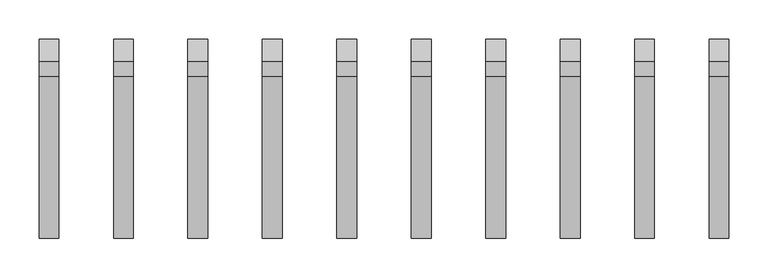
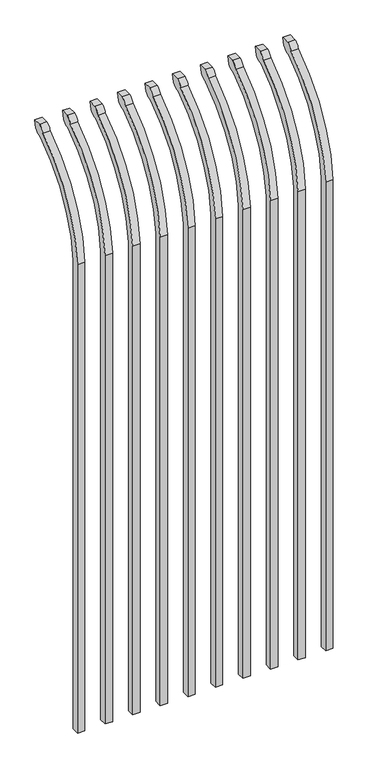
"""IFC4 building model written with IfcOpenShell, lengths in millimetres: railing geometry."""

from ifc_helpers import new_model, si_unit, point, frame, origin, place, context, project, spatial, polyline, circle_curve, ellipse_curve, trimmed, source, transform, mapped, element, save
from ifc_brep_helpers import plane_surface, cylinder_surface, revolved_surface, extruded_surface, advanced_brep


def railing_7b04022b(model_context):
    return source(origin(), model_context, "Body", "AdvancedBrep", [
        advanced_brep(
        [(26128.4350064, 13429.619541, 50.8), (26128.4350064, 13429.619541, 1759.1226889), (26128.4350064, 13626.7326851, 2091.3022378), (26128.4350064, 13653.2407099, 2105.9867549), (26128.4350064, 13659.1100864, 2133.6), (26128.4350064, 13630.8799449, 2133.6), (26128.4350064, 13611.4931591, 2112.6682561), (26128.4350064, 13404.219541, 1759.1226889), (26128.4350064, 13404.219541, 50.8), (26103.0350064, 13429.619541, 50.8), (26103.0350064, 13429.619541, 1759.1226889), (26103.0350064, 13404.219541, 1759.1226889), (26103.0350064, 13404.219541, 50.8), (26103.0350064, 13611.4931591, 2112.6682561), (26103.0350064, 13630.8799449, 2133.6), (26103.0350064, 13659.1100864, 2133.6), (26103.0350064, 13653.2407099, 2105.9867549), (26103.0350064, 13626.7326851, 2091.3022378)],
        [
            (0, 1),
            (1, 2, circle_curve(frame((26128.4350064, 13866.9874207, 1724.1640776), z_axis=(-1.0, 0.0, 0.0), x_axis=(0.0, 1.0, 0.0)), 438.7627681)),
            (2, 3, ellipse_curve(frame((26128.4350064, 13634.5579376, 2113.7180619), z_axis=(1.0, 0.0, 0.0), x_axis=(0.0, -0.7771459614569761, -0.6293203910498311)), 26.7460194, 19.05)),
            (3, 4),
            (4, 5),
            (5, 6, ellipse_curve(frame((26128.4350064, 13634.5579376, 2113.7180619), z_axis=(0.9999999999999999, 0.0, 0.0), x_axis=(0.0, -0.7771459614569769, -0.62932039104983)), 26.7460194, 19.05)),
            (6, 7, circle_curve(frame((26128.4350064, 13866.0333244, 1725.9065933), z_axis=(1.0, 0.0, 0.0), x_axis=(0.0, 1.0, 0.0)), 463.0067812)),
            (7, 8),
            (8, 0),
            (0, 9),
            (9, 10),
            (10, 1),
            (7, 11),
            (11, 12),
            (12, 8),
            (12, 9),
            (11, 13, circle_curve(frame((26103.0350064, 13866.0333244, 1725.9065933), z_axis=(-1.0, 0.0, 0.0), x_axis=(0.0, 1.0, 0.0)), 463.0067812)),
            (13, 14, ellipse_curve(frame((26103.0350064, 13634.5579376, 2113.7180619), z_axis=(-0.9999999999999999, 0.0, 0.0), x_axis=(0.0, -0.7771459614569769, -0.62932039104983)), 26.7460194, 19.05)),
            (14, 15),
            (15, 16),
            (16, 17, ellipse_curve(frame((26103.0350064, 13634.5579376, 2113.7180619), z_axis=(-1.0, 0.0, 0.0), x_axis=(0.0, -0.7771459614569761, -0.6293203910498311)), 26.7460194, 19.05)),
            (17, 10, circle_curve(frame((26103.0350064, 13866.9874207, 1724.1640776), z_axis=(1.0, 0.0, 0.0), x_axis=(0.0, 1.0, 0.0)), 438.7627681)),
            (17, 2),
            (16, 3),
            (15, 4),
            (14, 5),
            (13, 6),
        ],
        [
            plane_surface(frame((26128.4350064, 13429.619541, 50.8), z_axis=(1.0, 0.0, 0.0), x_axis=(0.0, 0.0, 1.0))),
            plane_surface(frame((26128.4350064, 13429.619541, 50.8), z_axis=(0.0, 1.0, 0.0), x_axis=(-1.0, 0.0, 0.0))),
            plane_surface(frame((26128.4350064, 13404.219541, 1759.1226889), z_axis=(0.0, -1.0, 0.0), x_axis=(-1.0, 0.0, 0.0))),
            plane_surface(frame((26128.4350064, 13404.219541, 50.8), z_axis=(0.0, 0.0, -1.0), x_axis=(-1.0, 0.0, 0.0))),
            plane_surface(frame((26103.0350064, 13429.619541, 50.8), z_axis=(-1.0, 0.0, 0.0), x_axis=(0.0, 0.0, -1.0))),
            revolved_surface(polyline([(26103.0350064, 14305.750188799999, 1724.1640776), (26128.4350064, 14305.750188799999, 1724.1640776)]), (26103.0350064, 13866.9874207, 1724.1640776), (-1.0, 0.0, 0.0)),
            extruded_surface(trimmed(ellipse_curve(frame((26077.6350064, 13634.5579376, 2113.7180619), z_axis=(1.0, 0.0, 0.0), x_axis=(0.0, -0.7771459614569761, -0.6293203910498311)), 26.7460194, 19.05), [point((26077.6350064, 13626.7326851, 2091.3022378))], [point((26077.6350064, 13653.2407099, 2105.9867549))], True, "CARTESIAN"), (25.400000000001455, 0.0, 0.0), 25.400000000001455),
            plane_surface(frame((26128.4350064, 13653.2407099, 2105.9867549), z_axis=(0.0, 0.9781476007338014, -0.20791169081777983), x_axis=(-1.0, 0.0, 0.0))),
            plane_surface(frame((26128.4350064, 13659.1100864, 2133.6), z_axis=(0.0, 0.0, 1.0), x_axis=(-1.0, 0.0, 0.0))),
            extruded_surface(trimmed(ellipse_curve(frame((26077.6350064, 13634.5579376, 2113.7180619), z_axis=(0.9999999999999999, 0.0, 0.0), x_axis=(0.0, -0.7771459614569769, -0.62932039104983)), 26.7460194, 19.05), [point((26077.6350064, 13630.8799449, 2133.6))], [point((26077.6350064, 13611.4931591, 2112.6682561))], True, "CARTESIAN"), (25.400000000001455, 0.0, 0.0), 25.400000000001455),
            cylinder_surface(frame((26103.0350064, 13866.0333244, 1725.9065933), z_axis=(1.0, 0.0, 0.0), x_axis=(0.0, 1.0, 0.0)), 463.0067812),
        ],
        [
            (0, [[1, 2, 3, 4, 5, 6, 7, 8, 9]]),
            (1, [[-1, 10, 11, 12]]),
            (2, [[-8, 13, 14, 15]]),
            (3, [[-9, -15, 16, -10]]),
            (4, [[-16, -14, 17, 18, 19, 20, 21, 22, -11]]),
            (5, [[-2, -12, -22, 23]]),
            (6, [[-3, -23, -21, 24]]),
            (7, [[-4, -24, -20, 25]]),
            (8, [[-5, -25, -19, 26]]),
            (9, [[-6, -26, -18, 27]]),
            (10, [[-7, -27, -17, -13]]),
        ],
    ),
        advanced_brep(
        [(26033.1850064, 13429.619541, 50.8), (26033.1850064, 13429.619541, 1759.1226889), (26033.1850064, 13626.7326851, 2091.3022378), (26033.1850064, 13653.2407099, 2105.9867549), (26033.1850064, 13659.1100864, 2133.6), (26033.1850064, 13630.8799449, 2133.6), (26033.1850064, 13611.4931591, 2112.6682561), (26033.1850064, 13404.219541, 1759.1226889), (26033.1850064, 13404.219541, 50.8), (26007.7850064, 13429.619541, 50.8), (26007.7850064, 13429.619541, 1759.1226889), (26007.7850064, 13404.219541, 1759.1226889), (26007.7850064, 13404.219541, 50.8), (26007.7850064, 13611.4931591, 2112.6682561), (26007.7850064, 13630.8799449, 2133.6), (26007.7850064, 13659.1100864, 2133.6), (26007.7850064, 13653.2407099, 2105.9867549), (26007.7850064, 13626.7326851, 2091.3022378)],
        [
            (0, 1),
            (1, 2, circle_curve(frame((26033.1850064, 13866.9874207, 1724.1640776), z_axis=(-1.0, 0.0, 0.0), x_axis=(0.0, 1.0, 0.0)), 438.7627681)),
            (2, 3, ellipse_curve(frame((26033.1850064, 13634.5579376, 2113.7180619), z_axis=(1.0, 0.0, 0.0), x_axis=(0.0, -0.7771459614569761, -0.6293203910498311)), 26.7460194, 19.05)),
            (3, 4),
            (4, 5),
            (5, 6, ellipse_curve(frame((26033.1850064, 13634.5579376, 2113.7180619), z_axis=(0.9999999999999999, 0.0, 0.0), x_axis=(0.0, -0.7771459614569769, -0.62932039104983)), 26.7460194, 19.05)),
            (6, 7, circle_curve(frame((26033.1850064, 13866.0333244, 1725.9065933), z_axis=(1.0, 0.0, 0.0), x_axis=(0.0, 1.0, 0.0)), 463.0067812)),
            (7, 8),
            (8, 0),
            (0, 9),
            (9, 10),
            (10, 1),
            (7, 11),
            (11, 12),
            (12, 8),
            (12, 9),
            (11, 13, circle_curve(frame((26007.7850064, 13866.0333244, 1725.9065933), z_axis=(-1.0, 0.0, 0.0), x_axis=(0.0, 1.0, 0.0)), 463.0067812)),
            (13, 14, ellipse_curve(frame((26007.7850064, 13634.5579376, 2113.7180619), z_axis=(-0.9999999999999999, 0.0, 0.0), x_axis=(0.0, -0.7771459614569769, -0.62932039104983)), 26.7460194, 19.05)),
            (14, 15),
            (15, 16),
            (16, 17, ellipse_curve(frame((26007.7850064, 13634.5579376, 2113.7180619), z_axis=(-1.0, 0.0, 0.0), x_axis=(0.0, -0.7771459614569761, -0.6293203910498311)), 26.7460194, 19.05)),
            (17, 10, circle_curve(frame((26007.7850064, 13866.9874207, 1724.1640776), z_axis=(1.0, 0.0, 0.0), x_axis=(0.0, 1.0, 0.0)), 438.7627681)),
            (17, 2),
            (16, 3),
            (15, 4),
            (14, 5),
            (13, 6),
        ],
        [
            plane_surface(frame((26033.1850064, 13429.619541, 50.8), z_axis=(1.0, 0.0, 0.0), x_axis=(0.0, 0.0, 1.0))),
            plane_surface(frame((26033.1850064, 13429.619541, 50.8), z_axis=(0.0, 1.0, 0.0), x_axis=(-1.0, 0.0, 0.0))),
            plane_surface(frame((26033.1850064, 13404.219541, 1759.1226889), z_axis=(0.0, -1.0, 0.0), x_axis=(-1.0, 0.0, 0.0))),
            plane_surface(frame((26033.1850064, 13404.219541, 50.8), z_axis=(0.0, 0.0, -1.0), x_axis=(-1.0, 0.0, 0.0))),
            plane_surface(frame((26007.7850064, 13429.619541, 50.8), z_axis=(-1.0, 0.0, 0.0), x_axis=(0.0, 0.0, -1.0))),
            revolved_surface(polyline([(26007.7850064, 14305.750188799999, 1724.1640776), (26033.1850064, 14305.750188799999, 1724.1640776)]), (26007.7850064, 13866.9874207, 1724.1640776), (-1.0, 0.0, 0.0)),
            extruded_surface(trimmed(ellipse_curve(frame((25982.3850064, 13634.5579376, 2113.7180619), z_axis=(1.0, 0.0, 0.0), x_axis=(0.0, -0.7771459614569761, -0.6293203910498311)), 26.7460194, 19.05), [point((25982.3850064, 13626.7326851, 2091.3022378))], [point((25982.3850064, 13653.2407099, 2105.9867549))], True, "CARTESIAN"), (25.400000000001455, 0.0, 0.0), 25.400000000001455),
            plane_surface(frame((26033.1850064, 13653.2407099, 2105.9867549), z_axis=(0.0, 0.9781476007338014, -0.20791169081777983), x_axis=(-1.0, 0.0, 0.0))),
            plane_surface(frame((26033.1850064, 13659.1100864, 2133.6), z_axis=(0.0, 0.0, 1.0), x_axis=(-1.0, 0.0, 0.0))),
            extruded_surface(trimmed(ellipse_curve(frame((25982.3850064, 13634.5579376, 2113.7180619), z_axis=(0.9999999999999999, 0.0, 0.0), x_axis=(0.0, -0.7771459614569769, -0.62932039104983)), 26.7460194, 19.05), [point((25982.3850064, 13630.8799449, 2133.6))], [point((25982.3850064, 13611.4931591, 2112.6682561))], True, "CARTESIAN"), (25.400000000001455, 0.0, 0.0), 25.400000000001455),
            cylinder_surface(frame((26007.7850064, 13866.0333244, 1725.9065933), z_axis=(1.0, 0.0, 0.0), x_axis=(0.0, 1.0, 0.0)), 463.0067812),
        ],
        [
            (0, [[1, 2, 3, 4, 5, 6, 7, 8, 9]]),
            (1, [[-1, 10, 11, 12]]),
            (2, [[-8, 13, 14, 15]]),
            (3, [[-9, -15, 16, -10]]),
            (4, [[-16, -14, 17, 18, 19, 20, 21, 22, -11]]),
            (5, [[-2, -12, -22, 23]]),
            (6, [[-3, -23, -21, 24]]),
            (7, [[-4, -24, -20, 25]]),
            (8, [[-5, -25, -19, 26]]),
            (9, [[-6, -26, -18, 27]]),
            (10, [[-7, -27, -17, -13]]),
        ],
    ),
        advanced_brep(
        [(25937.9350064, 13429.619541, 50.8), (25937.9350064, 13429.619541, 1759.1226889), (25937.9350064, 13626.7326851, 2091.3022378), (25937.9350064, 13653.2407099, 2105.9867549), (25937.9350064, 13659.1100864, 2133.6), (25937.9350064, 13630.8799449, 2133.6), (25937.9350064, 13611.4931591, 2112.6682561), (25937.9350064, 13404.219541, 1759.1226889), (25937.9350064, 13404.219541, 50.8), (25912.5350064, 13429.619541, 50.8), (25912.5350064, 13429.619541, 1759.1226889), (25912.5350064, 13404.219541, 1759.1226889), (25912.5350064, 13404.219541, 50.8), (25912.5350064, 13611.4931591, 2112.6682561), (25912.5350064, 13630.8799449, 2133.6), (25912.5350064, 13659.1100864, 2133.6), (25912.5350064, 13653.2407099, 2105.9867549), (25912.5350064, 13626.7326851, 2091.3022378)],
        [
            (0, 1),
            (1, 2, circle_curve(frame((25937.9350064, 13866.9874207, 1724.1640776), z_axis=(-1.0, 0.0, 0.0), x_axis=(0.0, 1.0, 0.0)), 438.7627681)),
            (2, 3, ellipse_curve(frame((25937.9350064, 13634.5579376, 2113.7180619), z_axis=(1.0, 0.0, 0.0), x_axis=(0.0, -0.7771459614569761, -0.6293203910498311)), 26.7460194, 19.05)),
            (3, 4),
            (4, 5),
            (5, 6, ellipse_curve(frame((25937.9350064, 13634.5579376, 2113.7180619), z_axis=(0.9999999999999999, 0.0, 0.0), x_axis=(0.0, -0.7771459614569769, -0.62932039104983)), 26.7460194, 19.05)),
            (6, 7, circle_curve(frame((25937.9350064, 13866.0333244, 1725.9065933), z_axis=(1.0, 0.0, 0.0), x_axis=(0.0, 1.0, 0.0)), 463.0067812)),
            (7, 8),
            (8, 0),
            (0, 9),
            (9, 10),
            (10, 1),
            (7, 11),
            (11, 12),
            (12, 8),
            (12, 9),
            (11, 13, circle_curve(frame((25912.5350064, 13866.0333244, 1725.9065933), z_axis=(-1.0, 0.0, 0.0), x_axis=(0.0, 1.0, 0.0)), 463.0067812)),
            (13, 14, ellipse_curve(frame((25912.5350064, 13634.5579376, 2113.7180619), z_axis=(-0.9999999999999999, 0.0, 0.0), x_axis=(0.0, -0.7771459614569769, -0.62932039104983)), 26.7460194, 19.05)),
            (14, 15),
            (15, 16),
            (16, 17, ellipse_curve(frame((25912.5350064, 13634.5579376, 2113.7180619), z_axis=(-1.0, 0.0, 0.0), x_axis=(0.0, -0.7771459614569761, -0.6293203910498311)), 26.7460194, 19.05)),
            (17, 10, circle_curve(frame((25912.5350064, 13866.9874207, 1724.1640776), z_axis=(1.0, 0.0, 0.0), x_axis=(0.0, 1.0, 0.0)), 438.7627681)),
            (17, 2),
            (16, 3),
            (15, 4),
            (14, 5),
            (13, 6),
        ],
        [
            plane_surface(frame((25937.9350064, 13429.619541, 50.8), z_axis=(1.0, 0.0, 0.0), x_axis=(0.0, 0.0, 1.0))),
            plane_surface(frame((25937.9350064, 13429.619541, 50.8), z_axis=(0.0, 1.0, 0.0), x_axis=(-1.0, 0.0, 0.0))),
            plane_surface(frame((25937.9350064, 13404.219541, 1759.1226889), z_axis=(0.0, -1.0, 0.0), x_axis=(-1.0, 0.0, 0.0))),
            plane_surface(frame((25937.9350064, 13404.219541, 50.8), z_axis=(0.0, 0.0, -1.0), x_axis=(-1.0, 0.0, 0.0))),
            plane_surface(frame((25912.5350064, 13429.619541, 50.8), z_axis=(-1.0, 0.0, 0.0), x_axis=(0.0, 0.0, -1.0))),
            revolved_surface(polyline([(25912.5350064, 14305.750188799999, 1724.1640776), (25937.9350064, 14305.750188799999, 1724.1640776)]), (25912.5350064, 13866.9874207, 1724.1640776), (-1.0, 0.0, 0.0)),
            extruded_surface(trimmed(ellipse_curve(frame((25887.1350064, 13634.5579376, 2113.7180619), z_axis=(1.0, 0.0, 0.0), x_axis=(0.0, -0.7771459614569761, -0.6293203910498311)), 26.7460194, 19.05), [point((25887.1350064, 13626.7326851, 2091.3022378))], [point((25887.1350064, 13653.2407099, 2105.9867549))], True, "CARTESIAN"), (25.400000000001455, 0.0, 0.0), 25.400000000001455),
            plane_surface(frame((25937.9350064, 13653.2407099, 2105.9867549), z_axis=(0.0, 0.9781476007338014, -0.20791169081777983), x_axis=(-1.0, 0.0, 0.0))),
            plane_surface(frame((25937.9350064, 13659.1100864, 2133.6), z_axis=(0.0, 0.0, 1.0), x_axis=(-1.0, 0.0, 0.0))),
            extruded_surface(trimmed(ellipse_curve(frame((25887.1350064, 13634.5579376, 2113.7180619), z_axis=(0.9999999999999999, 0.0, 0.0), x_axis=(0.0, -0.7771459614569769, -0.62932039104983)), 26.7460194, 19.05), [point((25887.1350064, 13630.8799449, 2133.6))], [point((25887.1350064, 13611.4931591, 2112.6682561))], True, "CARTESIAN"), (25.400000000001455, 0.0, 0.0), 25.400000000001455),
            cylinder_surface(frame((25912.5350064, 13866.0333244, 1725.9065933), z_axis=(1.0, 0.0, 0.0), x_axis=(0.0, 1.0, 0.0)), 463.0067812),
        ],
        [
            (0, [[1, 2, 3, 4, 5, 6, 7, 8, 9]]),
            (1, [[-1, 10, 11, 12]]),
            (2, [[-8, 13, 14, 15]]),
            (3, [[-9, -15, 16, -10]]),
            (4, [[-16, -14, 17, 18, 19, 20, 21, 22, -11]]),
            (5, [[-2, -12, -22, 23]]),
            (6, [[-3, -23, -21, 24]]),
            (7, [[-4, -24, -20, 25]]),
            (8, [[-5, -25, -19, 26]]),
            (9, [[-6, -26, -18, 27]]),
            (10, [[-7, -27, -17, -13]]),
        ],
    ),
        advanced_brep(
        [(25842.6850064, 13429.619541, 50.8), (25842.6850064, 13429.619541, 1759.1226889), (25842.6850064, 13626.7326851, 2091.3022378), (25842.6850064, 13653.2407099, 2105.9867549), (25842.6850064, 13659.1100864, 2133.6), (25842.6850064, 13630.8799449, 2133.6), (25842.6850064, 13611.4931591, 2112.6682561), (25842.6850064, 13404.219541, 1759.1226889), (25842.6850064, 13404.219541, 50.8), (25817.2850064, 13429.619541, 50.8), (25817.2850064, 13429.619541, 1759.1226889), (25817.2850064, 13404.219541, 1759.1226889), (25817.2850064, 13404.219541, 50.8), (25817.2850064, 13611.4931591, 2112.6682561), (25817.2850064, 13630.8799449, 2133.6), (25817.2850064, 13659.1100864, 2133.6), (25817.2850064, 13653.2407099, 2105.9867549), (25817.2850064, 13626.7326851, 2091.3022378)],
        [
            (0, 1),
            (1, 2, circle_curve(frame((25842.6850064, 13866.9874207, 1724.1640776), z_axis=(-1.0, 0.0, 0.0), x_axis=(0.0, 1.0, 0.0)), 438.7627681)),
            (2, 3, ellipse_curve(frame((25842.6850064, 13634.5579376, 2113.7180619), z_axis=(1.0, 0.0, 0.0), x_axis=(0.0, -0.7771459614569761, -0.6293203910498311)), 26.7460194, 19.05)),
            (3, 4),
            (4, 5),
            (5, 6, ellipse_curve(frame((25842.6850064, 13634.5579376, 2113.7180619), z_axis=(0.9999999999999999, 0.0, 0.0), x_axis=(0.0, -0.7771459614569769, -0.62932039104983)), 26.7460194, 19.05)),
            (6, 7, circle_curve(frame((25842.6850064, 13866.0333244, 1725.9065933), z_axis=(1.0, 0.0, 0.0), x_axis=(0.0, 1.0, 0.0)), 463.0067812)),
            (7, 8),
            (8, 0),
            (0, 9),
            (9, 10),
            (10, 1),
            (7, 11),
            (11, 12),
            (12, 8),
            (12, 9),
            (11, 13, circle_curve(frame((25817.2850064, 13866.0333244, 1725.9065933), z_axis=(-1.0, 0.0, 0.0), x_axis=(0.0, 1.0, 0.0)), 463.0067812)),
            (13, 14, ellipse_curve(frame((25817.2850064, 13634.5579376, 2113.7180619), z_axis=(-0.9999999999999999, 0.0, 0.0), x_axis=(0.0, -0.7771459614569769, -0.62932039104983)), 26.7460194, 19.05)),
            (14, 15),
            (15, 16),
            (16, 17, ellipse_curve(frame((25817.2850064, 13634.5579376, 2113.7180619), z_axis=(-1.0, 0.0, 0.0), x_axis=(0.0, -0.7771459614569761, -0.6293203910498311)), 26.7460194, 19.05)),
            (17, 10, circle_curve(frame((25817.2850064, 13866.9874207, 1724.1640776), z_axis=(1.0, 0.0, 0.0), x_axis=(0.0, 1.0, 0.0)), 438.7627681)),
            (17, 2),
            (16, 3),
            (15, 4),
            (14, 5),
            (13, 6),
        ],
        [
            plane_surface(frame((25842.6850064, 13429.619541, 50.8), z_axis=(1.0, 0.0, 0.0), x_axis=(0.0, 0.0, 1.0))),
            plane_surface(frame((25842.6850064, 13429.619541, 50.8), z_axis=(0.0, 1.0, 0.0), x_axis=(-1.0, 0.0, 0.0))),
            plane_surface(frame((25842.6850064, 13404.219541, 1759.1226889), z_axis=(0.0, -1.0, 0.0), x_axis=(-1.0, 0.0, 0.0))),
            plane_surface(frame((25842.6850064, 13404.219541, 50.8), z_axis=(0.0, 0.0, -1.0), x_axis=(-1.0, 0.0, 0.0))),
            plane_surface(frame((25817.2850064, 13429.619541, 50.8), z_axis=(-1.0, 0.0, 0.0), x_axis=(0.0, 0.0, -1.0))),
            revolved_surface(polyline([(25817.2850064, 14305.750188799999, 1724.1640776), (25842.6850064, 14305.750188799999, 1724.1640776)]), (25817.2850064, 13866.9874207, 1724.1640776), (-1.0, 0.0, 0.0)),
            extruded_surface(trimmed(ellipse_curve(frame((25791.8850064, 13634.5579376, 2113.7180619), z_axis=(1.0, 0.0, 0.0), x_axis=(0.0, -0.7771459614569761, -0.6293203910498311)), 26.7460194, 19.05), [point((25791.8850064, 13626.7326851, 2091.3022378))], [point((25791.8850064, 13653.2407099, 2105.9867549))], True, "CARTESIAN"), (25.400000000001455, 0.0, 0.0), 25.400000000001455),
            plane_surface(frame((25842.6850064, 13653.2407099, 2105.9867549), z_axis=(0.0, 0.9781476007338014, -0.20791169081777983), x_axis=(-1.0, 0.0, 0.0))),
            plane_surface(frame((25842.6850064, 13659.1100864, 2133.6), z_axis=(0.0, 0.0, 1.0), x_axis=(-1.0, 0.0, 0.0))),
            extruded_surface(trimmed(ellipse_curve(frame((25791.8850064, 13634.5579376, 2113.7180619), z_axis=(0.9999999999999999, 0.0, 0.0), x_axis=(0.0, -0.7771459614569769, -0.62932039104983)), 26.7460194, 19.05), [point((25791.8850064, 13630.8799449, 2133.6))], [point((25791.8850064, 13611.4931591, 2112.6682561))], True, "CARTESIAN"), (25.400000000001455, 0.0, 0.0), 25.400000000001455),
            cylinder_surface(frame((25817.2850064, 13866.0333244, 1725.9065933), z_axis=(1.0, 0.0, 0.0), x_axis=(0.0, 1.0, 0.0)), 463.0067812),
        ],
        [
            (0, [[1, 2, 3, 4, 5, 6, 7, 8, 9]]),
            (1, [[-1, 10, 11, 12]]),
            (2, [[-8, 13, 14, 15]]),
            (3, [[-9, -15, 16, -10]]),
            (4, [[-16, -14, 17, 18, 19, 20, 21, 22, -11]]),
            (5, [[-2, -12, -22, 23]]),
            (6, [[-3, -23, -21, 24]]),
            (7, [[-4, -24, -20, 25]]),
            (8, [[-5, -25, -19, 26]]),
            (9, [[-6, -26, -18, 27]]),
            (10, [[-7, -27, -17, -13]]),
        ],
    ),
        advanced_brep(
        [(25747.4350064, 13429.619541, 50.8), (25747.4350064, 13429.619541, 1759.1226889), (25747.4350064, 13626.7326851, 2091.3022378), (25747.4350064, 13653.2407099, 2105.9867549), (25747.4350064, 13659.1100864, 2133.6), (25747.4350064, 13630.8799449, 2133.6), (25747.4350064, 13611.4931591, 2112.6682561), (25747.4350064, 13404.219541, 1759.1226889), (25747.4350064, 13404.219541, 50.8), (25722.0350064, 13429.619541, 50.8), (25722.0350064, 13429.619541, 1759.1226889), (25722.0350064, 13404.219541, 1759.1226889), (25722.0350064, 13404.219541, 50.8), (25722.0350064, 13611.4931591, 2112.6682561), (25722.0350064, 13630.8799449, 2133.6), (25722.0350064, 13659.1100864, 2133.6), (25722.0350064, 13653.2407099, 2105.9867549), (25722.0350064, 13626.7326851, 2091.3022378)],
        [
            (0, 1),
            (1, 2, circle_curve(frame((25747.4350064, 13866.9874207, 1724.1640776), z_axis=(-1.0, 0.0, 0.0), x_axis=(0.0, 1.0, 0.0)), 438.7627681)),
            (2, 3, ellipse_curve(frame((25747.4350064, 13634.5579376, 2113.7180619), z_axis=(1.0, 0.0, 0.0), x_axis=(0.0, -0.7771459614569761, -0.6293203910498311)), 26.7460194, 19.05)),
            (3, 4),
            (4, 5),
            (5, 6, ellipse_curve(frame((25747.4350064, 13634.5579376, 2113.7180619), z_axis=(0.9999999999999999, 0.0, 0.0), x_axis=(0.0, -0.7771459614569769, -0.62932039104983)), 26.7460194, 19.05)),
            (6, 7, circle_curve(frame((25747.4350064, 13866.0333244, 1725.9065933), z_axis=(1.0, 0.0, 0.0), x_axis=(0.0, 1.0, 0.0)), 463.0067812)),
            (7, 8),
            (8, 0),
            (0, 9),
            (9, 10),
            (10, 1),
            (7, 11),
            (11, 12),
            (12, 8),
            (12, 9),
            (11, 13, circle_curve(frame((25722.0350064, 13866.0333244, 1725.9065933), z_axis=(-1.0, 0.0, 0.0), x_axis=(0.0, 1.0, 0.0)), 463.0067812)),
            (13, 14, ellipse_curve(frame((25722.0350064, 13634.5579376, 2113.7180619), z_axis=(-0.9999999999999999, 0.0, 0.0), x_axis=(0.0, -0.7771459614569769, -0.62932039104983)), 26.7460194, 19.05)),
            (14, 15),
            (15, 16),
            (16, 17, ellipse_curve(frame((25722.0350064, 13634.5579376, 2113.7180619), z_axis=(-1.0, 0.0, 0.0), x_axis=(0.0, -0.7771459614569761, -0.6293203910498311)), 26.7460194, 19.05)),
            (17, 10, circle_curve(frame((25722.0350064, 13866.9874207, 1724.1640776), z_axis=(1.0, 0.0, 0.0), x_axis=(0.0, 1.0, 0.0)), 438.7627681)),
            (17, 2),
            (16, 3),
            (15, 4),
            (14, 5),
            (13, 6),
        ],
        [
            plane_surface(frame((25747.4350064, 13429.619541, 50.8), z_axis=(1.0, 0.0, 0.0), x_axis=(0.0, 0.0, 1.0))),
            plane_surface(frame((25747.4350064, 13429.619541, 50.8), z_axis=(0.0, 1.0, 0.0), x_axis=(-1.0, 0.0, 0.0))),
            plane_surface(frame((25747.4350064, 13404.219541, 1759.1226889), z_axis=(0.0, -1.0, 0.0), x_axis=(-1.0, 0.0, 0.0))),
            plane_surface(frame((25747.4350064, 13404.219541, 50.8), z_axis=(0.0, 0.0, -1.0), x_axis=(-1.0, 0.0, 0.0))),
            plane_surface(frame((25722.0350064, 13429.619541, 50.8), z_axis=(-1.0, 0.0, 0.0), x_axis=(0.0, 0.0, -1.0))),
            revolved_surface(polyline([(25722.0350064, 14305.750188799999, 1724.1640776), (25747.4350064, 14305.750188799999, 1724.1640776)]), (25722.0350064, 13866.9874207, 1724.1640776), (-1.0, 0.0, 0.0)),
            extruded_surface(trimmed(ellipse_curve(frame((25696.6350064, 13634.5579376, 2113.7180619), z_axis=(1.0, 0.0, 0.0), x_axis=(0.0, -0.7771459614569761, -0.6293203910498311)), 26.7460194, 19.05), [point((25696.6350064, 13626.7326851, 2091.3022378))], [point((25696.6350064, 13653.2407099, 2105.9867549))], True, "CARTESIAN"), (25.400000000001455, 0.0, 0.0), 25.400000000001455),
            plane_surface(frame((25747.4350064, 13653.2407099, 2105.9867549), z_axis=(0.0, 0.9781476007338014, -0.20791169081777983), x_axis=(-1.0, 0.0, 0.0))),
            plane_surface(frame((25747.4350064, 13659.1100864, 2133.6), z_axis=(0.0, 0.0, 1.0), x_axis=(-1.0, 0.0, 0.0))),
            extruded_surface(trimmed(ellipse_curve(frame((25696.6350064, 13634.5579376, 2113.7180619), z_axis=(0.9999999999999999, 0.0, 0.0), x_axis=(0.0, -0.7771459614569769, -0.62932039104983)), 26.7460194, 19.05), [point((25696.6350064, 13630.8799449, 2133.6))], [point((25696.6350064, 13611.4931591, 2112.6682561))], True, "CARTESIAN"), (25.400000000001455, 0.0, 0.0), 25.400000000001455),
            cylinder_surface(frame((25722.0350064, 13866.0333244, 1725.9065933), z_axis=(1.0, 0.0, 0.0), x_axis=(0.0, 1.0, 0.0)), 463.0067812),
        ],
        [
            (0, [[1, 2, 3, 4, 5, 6, 7, 8, 9]]),
            (1, [[-1, 10, 11, 12]]),
            (2, [[-8, 13, 14, 15]]),
            (3, [[-9, -15, 16, -10]]),
            (4, [[-16, -14, 17, 18, 19, 20, 21, 22, -11]]),
            (5, [[-2, -12, -22, 23]]),
            (6, [[-3, -23, -21, 24]]),
            (7, [[-4, -24, -20, 25]]),
            (8, [[-5, -25, -19, 26]]),
            (9, [[-6, -26, -18, 27]]),
            (10, [[-7, -27, -17, -13]]),
        ],
    ),
        advanced_brep(
        [(25652.1850064, 13429.619541, 50.8), (25652.1850064, 13429.619541, 1759.1226889), (25652.1850064, 13626.7326851, 2091.3022378), (25652.1850064, 13653.2407099, 2105.9867549), (25652.1850064, 13659.1100864, 2133.6), (25652.1850064, 13630.8799449, 2133.6), (25652.1850064, 13611.4931591, 2112.6682561), (25652.1850064, 13404.219541, 1759.1226889), (25652.1850064, 13404.219541, 50.8), (25626.7850064, 13429.619541, 50.8), (25626.7850064, 13429.619541, 1759.1226889), (25626.7850064, 13404.219541, 1759.1226889), (25626.7850064, 13404.219541, 50.8), (25626.7850064, 13611.4931591, 2112.6682561), (25626.7850064, 13630.8799449, 2133.6), (25626.7850064, 13659.1100864, 2133.6), (25626.7850064, 13653.2407099, 2105.9867549), (25626.7850064, 13626.7326851, 2091.3022378)],
        [
            (0, 1),
            (1, 2, circle_curve(frame((25652.1850064, 13866.9874207, 1724.1640776), z_axis=(-1.0, 0.0, 0.0), x_axis=(0.0, 1.0, 0.0)), 438.7627681)),
            (2, 3, ellipse_curve(frame((25652.1850064, 13634.5579376, 2113.7180619), z_axis=(1.0, 0.0, 0.0), x_axis=(0.0, -0.7771459614569761, -0.6293203910498311)), 26.7460194, 19.05)),
            (3, 4),
            (4, 5),
            (5, 6, ellipse_curve(frame((25652.1850064, 13634.5579376, 2113.7180619), z_axis=(0.9999999999999999, 0.0, 0.0), x_axis=(0.0, -0.7771459614569769, -0.62932039104983)), 26.7460194, 19.05)),
            (6, 7, circle_curve(frame((25652.1850064, 13866.0333244, 1725.9065933), z_axis=(1.0, 0.0, 0.0), x_axis=(0.0, 1.0, 0.0)), 463.0067812)),
            (7, 8),
            (8, 0),
            (0, 9),
            (9, 10),
            (10, 1),
            (7, 11),
            (11, 12),
            (12, 8),
            (12, 9),
            (11, 13, circle_curve(frame((25626.7850064, 13866.0333244, 1725.9065933), z_axis=(-1.0, 0.0, 0.0), x_axis=(0.0, 1.0, 0.0)), 463.0067812)),
            (13, 14, ellipse_curve(frame((25626.7850064, 13634.5579376, 2113.7180619), z_axis=(-0.9999999999999999, 0.0, 0.0), x_axis=(0.0, -0.7771459614569769, -0.62932039104983)), 26.7460194, 19.05)),
            (14, 15),
            (15, 16),
            (16, 17, ellipse_curve(frame((25626.7850064, 13634.5579376, 2113.7180619), z_axis=(-1.0, 0.0, 0.0), x_axis=(0.0, -0.7771459614569761, -0.6293203910498311)), 26.7460194, 19.05)),
            (17, 10, circle_curve(frame((25626.7850064, 13866.9874207, 1724.1640776), z_axis=(1.0, 0.0, 0.0), x_axis=(0.0, 1.0, 0.0)), 438.7627681)),
            (17, 2),
            (16, 3),
            (15, 4),
            (14, 5),
            (13, 6),
        ],
        [
            plane_surface(frame((25652.1850064, 13429.619541, 50.8), z_axis=(1.0, 0.0, 0.0), x_axis=(0.0, 0.0, 1.0))),
            plane_surface(frame((25652.1850064, 13429.619541, 50.8), z_axis=(0.0, 1.0, 0.0), x_axis=(-1.0, 0.0, 0.0))),
            plane_surface(frame((25652.1850064, 13404.219541, 1759.1226889), z_axis=(0.0, -1.0, 0.0), x_axis=(-1.0, 0.0, 0.0))),
            plane_surface(frame((25652.1850064, 13404.219541, 50.8), z_axis=(0.0, 0.0, -1.0), x_axis=(-1.0, 0.0, 0.0))),
            plane_surface(frame((25626.7850064, 13429.619541, 50.8), z_axis=(-1.0, 0.0, 0.0), x_axis=(0.0, 0.0, -1.0))),
            revolved_surface(polyline([(25626.7850064, 14305.750188799999, 1724.1640776), (25652.1850064, 14305.750188799999, 1724.1640776)]), (25626.7850064, 13866.9874207, 1724.1640776), (-1.0, 0.0, 0.0)),
            extruded_surface(trimmed(ellipse_curve(frame((25601.3850064, 13634.5579376, 2113.7180619), z_axis=(1.0, 0.0, 0.0), x_axis=(0.0, -0.7771459614569761, -0.6293203910498311)), 26.7460194, 19.05), [point((25601.3850064, 13626.7326851, 2091.3022378))], [point((25601.3850064, 13653.2407099, 2105.9867549))], True, "CARTESIAN"), (25.400000000001455, 0.0, 0.0), 25.400000000001455),
            plane_surface(frame((25652.1850064, 13653.2407099, 2105.9867549), z_axis=(0.0, 0.9781476007338014, -0.20791169081777983), x_axis=(-1.0, 0.0, 0.0))),
            plane_surface(frame((25652.1850064, 13659.1100864, 2133.6), z_axis=(0.0, 0.0, 1.0), x_axis=(-1.0, 0.0, 0.0))),
            extruded_surface(trimmed(ellipse_curve(frame((25601.3850064, 13634.5579376, 2113.7180619), z_axis=(0.9999999999999999, 0.0, 0.0), x_axis=(0.0, -0.7771459614569769, -0.62932039104983)), 26.7460194, 19.05), [point((25601.3850064, 13630.8799449, 2133.6))], [point((25601.3850064, 13611.4931591, 2112.6682561))], True, "CARTESIAN"), (25.400000000001455, 0.0, 0.0), 25.400000000001455),
            cylinder_surface(frame((25626.7850064, 13866.0333244, 1725.9065933), z_axis=(1.0, 0.0, 0.0), x_axis=(0.0, 1.0, 0.0)), 463.0067812),
        ],
        [
            (0, [[1, 2, 3, 4, 5, 6, 7, 8, 9]]),
            (1, [[-1, 10, 11, 12]]),
            (2, [[-8, 13, 14, 15]]),
            (3, [[-9, -15, 16, -10]]),
            (4, [[-16, -14, 17, 18, 19, 20, 21, 22, -11]]),
            (5, [[-2, -12, -22, 23]]),
            (6, [[-3, -23, -21, 24]]),
            (7, [[-4, -24, -20, 25]]),
            (8, [[-5, -25, -19, 26]]),
            (9, [[-6, -26, -18, 27]]),
            (10, [[-7, -27, -17, -13]]),
        ],
    ),
        advanced_brep(
        [(25556.9350064, 13429.619541, 50.8), (25556.9350064, 13429.619541, 1759.1226889), (25556.9350064, 13626.7326851, 2091.3022378), (25556.9350064, 13653.2407099, 2105.9867549), (25556.9350064, 13659.1100864, 2133.6), (25556.9350064, 13630.8799449, 2133.6), (25556.9350064, 13611.4931591, 2112.6682561), (25556.9350064, 13404.219541, 1759.1226889), (25556.9350064, 13404.219541, 50.8), (25531.5350064, 13429.619541, 50.8), (25531.5350064, 13429.619541, 1759.1226889), (25531.5350064, 13404.219541, 1759.1226889), (25531.5350064, 13404.219541, 50.8), (25531.5350064, 13611.4931591, 2112.6682561), (25531.5350064, 13630.8799449, 2133.6), (25531.5350064, 13659.1100864, 2133.6), (25531.5350064, 13653.2407099, 2105.9867549), (25531.5350064, 13626.7326851, 2091.3022378)],
        [
            (0, 1),
            (1, 2, circle_curve(frame((25556.9350064, 13866.9874207, 1724.1640776), z_axis=(-1.0, 0.0, 0.0), x_axis=(0.0, 1.0, 0.0)), 438.7627681)),
            (2, 3, ellipse_curve(frame((25556.9350064, 13634.5579376, 2113.7180619), z_axis=(1.0, 0.0, 0.0), x_axis=(0.0, -0.7771459614569761, -0.6293203910498311)), 26.7460194, 19.05)),
            (3, 4),
            (4, 5),
            (5, 6, ellipse_curve(frame((25556.9350064, 13634.5579376, 2113.7180619), z_axis=(0.9999999999999999, 0.0, 0.0), x_axis=(0.0, -0.7771459614569769, -0.62932039104983)), 26.7460194, 19.05)),
            (6, 7, circle_curve(frame((25556.9350064, 13866.0333244, 1725.9065933), z_axis=(1.0, 0.0, 0.0), x_axis=(0.0, 1.0, 0.0)), 463.0067812)),
            (7, 8),
            (8, 0),
            (0, 9),
            (9, 10),
            (10, 1),
            (7, 11),
            (11, 12),
            (12, 8),
            (12, 9),
            (11, 13, circle_curve(frame((25531.5350064, 13866.0333244, 1725.9065933), z_axis=(-1.0, 0.0, 0.0), x_axis=(0.0, 1.0, 0.0)), 463.0067812)),
            (13, 14, ellipse_curve(frame((25531.5350064, 13634.5579376, 2113.7180619), z_axis=(-0.9999999999999999, 0.0, 0.0), x_axis=(0.0, -0.7771459614569769, -0.62932039104983)), 26.7460194, 19.05)),
            (14, 15),
            (15, 16),
            (16, 17, ellipse_curve(frame((25531.5350064, 13634.5579376, 2113.7180619), z_axis=(-1.0, 0.0, 0.0), x_axis=(0.0, -0.7771459614569761, -0.6293203910498311)), 26.7460194, 19.05)),
            (17, 10, circle_curve(frame((25531.5350064, 13866.9874207, 1724.1640776), z_axis=(1.0, 0.0, 0.0), x_axis=(0.0, 1.0, 0.0)), 438.7627681)),
            (17, 2),
            (16, 3),
            (15, 4),
            (14, 5),
            (13, 6),
        ],
        [
            plane_surface(frame((25556.9350064, 13429.619541, 50.8), z_axis=(1.0, 0.0, 0.0), x_axis=(0.0, 0.0, 1.0))),
            plane_surface(frame((25556.9350064, 13429.619541, 50.8), z_axis=(0.0, 1.0, 0.0), x_axis=(-1.0, 0.0, 0.0))),
            plane_surface(frame((25556.9350064, 13404.219541, 1759.1226889), z_axis=(0.0, -1.0, 0.0), x_axis=(-1.0, 0.0, 0.0))),
            plane_surface(frame((25556.9350064, 13404.219541, 50.8), z_axis=(0.0, 0.0, -1.0), x_axis=(-1.0, 0.0, 0.0))),
            plane_surface(frame((25531.5350064, 13429.619541, 50.8), z_axis=(-1.0, 0.0, 0.0), x_axis=(0.0, 0.0, -1.0))),
            revolved_surface(polyline([(25531.5350064, 14305.750188799999, 1724.1640776), (25556.9350064, 14305.750188799999, 1724.1640776)]), (25531.5350064, 13866.9874207, 1724.1640776), (-1.0, 0.0, 0.0)),
            extruded_surface(trimmed(ellipse_curve(frame((25506.1350064, 13634.5579376, 2113.7180619), z_axis=(1.0, 0.0, 0.0), x_axis=(0.0, -0.7771459614569761, -0.6293203910498311)), 26.7460194, 19.05), [point((25506.1350064, 13626.7326851, 2091.3022378))], [point((25506.1350064, 13653.2407099, 2105.9867549))], True, "CARTESIAN"), (25.400000000001455, 0.0, 0.0), 25.400000000001455),
            plane_surface(frame((25556.9350064, 13653.2407099, 2105.9867549), z_axis=(0.0, 0.9781476007338014, -0.20791169081777983), x_axis=(-1.0, 0.0, 0.0))),
            plane_surface(frame((25556.9350064, 13659.1100864, 2133.6), z_axis=(0.0, 0.0, 1.0), x_axis=(-1.0, 0.0, 0.0))),
            extruded_surface(trimmed(ellipse_curve(frame((25506.1350064, 13634.5579376, 2113.7180619), z_axis=(0.9999999999999999, 0.0, 0.0), x_axis=(0.0, -0.7771459614569769, -0.62932039104983)), 26.7460194, 19.05), [point((25506.1350064, 13630.8799449, 2133.6))], [point((25506.1350064, 13611.4931591, 2112.6682561))], True, "CARTESIAN"), (25.400000000001455, 0.0, 0.0), 25.400000000001455),
            cylinder_surface(frame((25531.5350064, 13866.0333244, 1725.9065933), z_axis=(1.0, 0.0, 0.0), x_axis=(0.0, 1.0, 0.0)), 463.0067812),
        ],
        [
            (0, [[1, 2, 3, 4, 5, 6, 7, 8, 9]]),
            (1, [[-1, 10, 11, 12]]),
            (2, [[-8, 13, 14, 15]]),
            (3, [[-9, -15, 16, -10]]),
            (4, [[-16, -14, 17, 18, 19, 20, 21, 22, -11]]),
            (5, [[-2, -12, -22, 23]]),
            (6, [[-3, -23, -21, 24]]),
            (7, [[-4, -24, -20, 25]]),
            (8, [[-5, -25, -19, 26]]),
            (9, [[-6, -26, -18, 27]]),
            (10, [[-7, -27, -17, -13]]),
        ],
    ),
        advanced_brep(
        [(25461.6850064, 13429.619541, 50.8), (25461.6850064, 13429.619541, 1759.1226889), (25461.6850064, 13626.7326851, 2091.3022378), (25461.6850064, 13653.2407099, 2105.9867549), (25461.6850064, 13659.1100864, 2133.6), (25461.6850064, 13630.8799449, 2133.6), (25461.6850064, 13611.4931591, 2112.6682561), (25461.6850064, 13404.219541, 1759.1226889), (25461.6850064, 13404.219541, 50.8), (25436.2850064, 13429.619541, 50.8), (25436.2850064, 13429.619541, 1759.1226889), (25436.2850064, 13404.219541, 1759.1226889), (25436.2850064, 13404.219541, 50.8), (25436.2850064, 13611.4931591, 2112.6682561), (25436.2850064, 13630.8799449, 2133.6), (25436.2850064, 13659.1100864, 2133.6), (25436.2850064, 13653.2407099, 2105.9867549), (25436.2850064, 13626.7326851, 2091.3022378)],
        [
            (0, 1),
            (1, 2, circle_curve(frame((25461.6850064, 13866.9874207, 1724.1640776), z_axis=(-1.0, 0.0, 0.0), x_axis=(0.0, 1.0, 0.0)), 438.7627681)),
            (2, 3, ellipse_curve(frame((25461.6850064, 13634.5579376, 2113.7180619), z_axis=(1.0, 0.0, 0.0), x_axis=(0.0, -0.7771459614569761, -0.6293203910498311)), 26.7460194, 19.05)),
            (3, 4),
            (4, 5),
            (5, 6, ellipse_curve(frame((25461.6850064, 13634.5579376, 2113.7180619), z_axis=(0.9999999999999999, 0.0, 0.0), x_axis=(0.0, -0.7771459614569769, -0.62932039104983)), 26.7460194, 19.05)),
            (6, 7, circle_curve(frame((25461.6850064, 13866.0333244, 1725.9065933), z_axis=(1.0, 0.0, 0.0), x_axis=(0.0, 1.0, 0.0)), 463.0067812)),
            (7, 8),
            (8, 0),
            (0, 9),
            (9, 10),
            (10, 1),
            (7, 11),
            (11, 12),
            (12, 8),
            (12, 9),
            (11, 13, circle_curve(frame((25436.2850064, 13866.0333244, 1725.9065933), z_axis=(-1.0, 0.0, 0.0), x_axis=(0.0, 1.0, 0.0)), 463.0067812)),
            (13, 14, ellipse_curve(frame((25436.2850064, 13634.5579376, 2113.7180619), z_axis=(-0.9999999999999999, 0.0, 0.0), x_axis=(0.0, -0.7771459614569769, -0.62932039104983)), 26.7460194, 19.05)),
            (14, 15),
            (15, 16),
            (16, 17, ellipse_curve(frame((25436.2850064, 13634.5579376, 2113.7180619), z_axis=(-1.0, 0.0, 0.0), x_axis=(0.0, -0.7771459614569761, -0.6293203910498311)), 26.7460194, 19.05)),
            (17, 10, circle_curve(frame((25436.2850064, 13866.9874207, 1724.1640776), z_axis=(1.0, 0.0, 0.0), x_axis=(0.0, 1.0, 0.0)), 438.7627681)),
            (17, 2),
            (16, 3),
            (15, 4),
            (14, 5),
            (13, 6),
        ],
        [
            plane_surface(frame((25461.6850064, 13429.619541, 50.8), z_axis=(1.0, 0.0, 0.0), x_axis=(0.0, 0.0, 1.0))),
            plane_surface(frame((25461.6850064, 13429.619541, 50.8), z_axis=(0.0, 1.0, 0.0), x_axis=(-1.0, 0.0, 0.0))),
            plane_surface(frame((25461.6850064, 13404.219541, 1759.1226889), z_axis=(0.0, -1.0, 0.0), x_axis=(-1.0, 0.0, 0.0))),
            plane_surface(frame((25461.6850064, 13404.219541, 50.8), z_axis=(0.0, 0.0, -1.0), x_axis=(-1.0, 0.0, 0.0))),
            plane_surface(frame((25436.2850064, 13429.619541, 50.8), z_axis=(-1.0, 0.0, 0.0), x_axis=(0.0, 0.0, -1.0))),
            revolved_surface(polyline([(25436.2850064, 14305.750188799999, 1724.1640776), (25461.6850064, 14305.750188799999, 1724.1640776)]), (25436.2850064, 13866.9874207, 1724.1640776), (-1.0, 0.0, 0.0)),
            extruded_surface(trimmed(ellipse_curve(frame((25410.8850064, 13634.5579376, 2113.7180619), z_axis=(1.0, 0.0, 0.0), x_axis=(0.0, -0.7771459614569761, -0.6293203910498311)), 26.7460194, 19.05), [point((25410.8850064, 13626.7326851, 2091.3022378))], [point((25410.8850064, 13653.2407099, 2105.9867549))], True, "CARTESIAN"), (25.400000000001455, 0.0, 0.0), 25.400000000001455),
            plane_surface(frame((25461.6850064, 13653.2407099, 2105.9867549), z_axis=(0.0, 0.9781476007338014, -0.20791169081777983), x_axis=(-1.0, 0.0, 0.0))),
            plane_surface(frame((25461.6850064, 13659.1100864, 2133.6), z_axis=(0.0, 0.0, 1.0), x_axis=(-1.0, 0.0, 0.0))),
            extruded_surface(trimmed(ellipse_curve(frame((25410.8850064, 13634.5579376, 2113.7180619), z_axis=(0.9999999999999999, 0.0, 0.0), x_axis=(0.0, -0.7771459614569769, -0.62932039104983)), 26.7460194, 19.05), [point((25410.8850064, 13630.8799449, 2133.6))], [point((25410.8850064, 13611.4931591, 2112.6682561))], True, "CARTESIAN"), (25.400000000001455, 0.0, 0.0), 25.400000000001455),
            cylinder_surface(frame((25436.2850064, 13866.0333244, 1725.9065933), z_axis=(1.0, 0.0, 0.0), x_axis=(0.0, 1.0, 0.0)), 463.0067812),
        ],
        [
            (0, [[1, 2, 3, 4, 5, 6, 7, 8, 9]]),
            (1, [[-1, 10, 11, 12]]),
            (2, [[-8, 13, 14, 15]]),
            (3, [[-9, -15, 16, -10]]),
            (4, [[-16, -14, 17, 18, 19, 20, 21, 22, -11]]),
            (5, [[-2, -12, -22, 23]]),
            (6, [[-3, -23, -21, 24]]),
            (7, [[-4, -24, -20, 25]]),
            (8, [[-5, -25, -19, 26]]),
            (9, [[-6, -26, -18, 27]]),
            (10, [[-7, -27, -17, -13]]),
        ],
    ),
        advanced_brep(
        [(25366.4350064, 13429.619541, 50.8), (25366.4350064, 13429.619541, 1759.1226889), (25366.4350064, 13626.7326851, 2091.3022378), (25366.4350064, 13653.2407099, 2105.9867549), (25366.4350064, 13659.1100864, 2133.6), (25366.4350064, 13630.8799449, 2133.6), (25366.4350064, 13611.4931591, 2112.6682561), (25366.4350064, 13404.219541, 1759.1226889), (25366.4350064, 13404.219541, 50.8), (25341.0350064, 13429.619541, 50.8), (25341.0350064, 13429.619541, 1759.1226889), (25341.0350064, 13404.219541, 1759.1226889), (25341.0350064, 13404.219541, 50.8), (25341.0350064, 13611.4931591, 2112.6682561), (25341.0350064, 13630.8799449, 2133.6), (25341.0350064, 13659.1100864, 2133.6), (25341.0350064, 13653.2407099, 2105.9867549), (25341.0350064, 13626.7326851, 2091.3022378)],
        [
            (0, 1),
            (1, 2, circle_curve(frame((25366.4350064, 13866.9874207, 1724.1640776), z_axis=(-1.0, 0.0, 0.0), x_axis=(0.0, 1.0, 0.0)), 438.7627681)),
            (2, 3, ellipse_curve(frame((25366.4350064, 13634.5579376, 2113.7180619), z_axis=(1.0, 0.0, 0.0), x_axis=(0.0, -0.7771459614569761, -0.6293203910498311)), 26.7460194, 19.05)),
            (3, 4),
            (4, 5),
            (5, 6, ellipse_curve(frame((25366.4350064, 13634.5579376, 2113.7180619), z_axis=(0.9999999999999999, 0.0, 0.0), x_axis=(0.0, -0.7771459614569769, -0.62932039104983)), 26.7460194, 19.05)),
            (6, 7, circle_curve(frame((25366.4350064, 13866.0333244, 1725.9065933), z_axis=(1.0, 0.0, 0.0), x_axis=(0.0, 1.0, 0.0)), 463.0067812)),
            (7, 8),
            (8, 0),
            (0, 9),
            (9, 10),
            (10, 1),
            (7, 11),
            (11, 12),
            (12, 8),
            (12, 9),
            (11, 13, circle_curve(frame((25341.0350064, 13866.0333244, 1725.9065933), z_axis=(-1.0, 0.0, 0.0), x_axis=(0.0, 1.0, 0.0)), 463.0067812)),
            (13, 14, ellipse_curve(frame((25341.0350064, 13634.5579376, 2113.7180619), z_axis=(-0.9999999999999999, 0.0, 0.0), x_axis=(0.0, -0.7771459614569769, -0.62932039104983)), 26.7460194, 19.05)),
            (14, 15),
            (15, 16),
            (16, 17, ellipse_curve(frame((25341.0350064, 13634.5579376, 2113.7180619), z_axis=(-1.0, 0.0, 0.0), x_axis=(0.0, -0.7771459614569761, -0.6293203910498311)), 26.7460194, 19.05)),
            (17, 10, circle_curve(frame((25341.0350064, 13866.9874207, 1724.1640776), z_axis=(1.0, 0.0, 0.0), x_axis=(0.0, 1.0, 0.0)), 438.7627681)),
            (17, 2),
            (16, 3),
            (15, 4),
            (14, 5),
            (13, 6),
        ],
        [
            plane_surface(frame((25366.4350064, 13429.619541, 50.8), z_axis=(1.0, 0.0, 0.0), x_axis=(0.0, 0.0, 1.0))),
            plane_surface(frame((25366.4350064, 13429.619541, 50.8), z_axis=(0.0, 1.0, 0.0), x_axis=(-1.0, 0.0, 0.0))),
            plane_surface(frame((25366.4350064, 13404.219541, 1759.1226889), z_axis=(0.0, -1.0, 0.0), x_axis=(-1.0, 0.0, 0.0))),
            plane_surface(frame((25366.4350064, 13404.219541, 50.8), z_axis=(0.0, 0.0, -1.0), x_axis=(-1.0, 0.0, 0.0))),
            plane_surface(frame((25341.0350064, 13429.619541, 50.8), z_axis=(-1.0, 0.0, 0.0), x_axis=(0.0, 0.0, -1.0))),
            revolved_surface(polyline([(25341.0350064, 14305.750188799999, 1724.1640776), (25366.4350064, 14305.750188799999, 1724.1640776)]), (25341.0350064, 13866.9874207, 1724.1640776), (-1.0, 0.0, 0.0)),
            extruded_surface(trimmed(ellipse_curve(frame((25315.6350064, 13634.5579376, 2113.7180619), z_axis=(1.0, 0.0, 0.0), x_axis=(0.0, -0.7771459614569761, -0.6293203910498311)), 26.7460194, 19.05), [point((25315.6350064, 13626.7326851, 2091.3022378))], [point((25315.6350064, 13653.2407099, 2105.9867549))], True, "CARTESIAN"), (25.400000000001455, 0.0, 0.0), 25.400000000001455),
            plane_surface(frame((25366.4350064, 13653.2407099, 2105.9867549), z_axis=(0.0, 0.9781476007338014, -0.20791169081777983), x_axis=(-1.0, 0.0, 0.0))),
            plane_surface(frame((25366.4350064, 13659.1100864, 2133.6), z_axis=(0.0, 0.0, 1.0), x_axis=(-1.0, 0.0, 0.0))),
            extruded_surface(trimmed(ellipse_curve(frame((25315.6350064, 13634.5579376, 2113.7180619), z_axis=(0.9999999999999999, 0.0, 0.0), x_axis=(0.0, -0.7771459614569769, -0.62932039104983)), 26.7460194, 19.05), [point((25315.6350064, 13630.8799449, 2133.6))], [point((25315.6350064, 13611.4931591, 2112.6682561))], True, "CARTESIAN"), (25.400000000001455, 0.0, 0.0), 25.400000000001455),
            cylinder_surface(frame((25341.0350064, 13866.0333244, 1725.9065933), z_axis=(1.0, 0.0, 0.0), x_axis=(0.0, 1.0, 0.0)), 463.0067812),
        ],
        [
            (0, [[1, 2, 3, 4, 5, 6, 7, 8, 9]]),
            (1, [[-1, 10, 11, 12]]),
            (2, [[-8, 13, 14, 15]]),
            (3, [[-9, -15, 16, -10]]),
            (4, [[-16, -14, 17, 18, 19, 20, 21, 22, -11]]),
            (5, [[-2, -12, -22, 23]]),
            (6, [[-3, -23, -21, 24]]),
            (7, [[-4, -24, -20, 25]]),
            (8, [[-5, -25, -19, 26]]),
            (9, [[-6, -26, -18, 27]]),
            (10, [[-7, -27, -17, -13]]),
        ],
    ),
        advanced_brep(
        [(25271.1850064, 13429.619541, 50.8), (25271.1850064, 13429.619541, 1759.1226889), (25271.1850064, 13626.7326851, 2091.3022378), (25271.1850064, 13653.2407099, 2105.9867549), (25271.1850064, 13659.1100864, 2133.6), (25271.1850064, 13630.8799449, 2133.6), (25271.1850064, 13611.4931591, 2112.6682561), (25271.1850064, 13404.219541, 1759.1226889), (25271.1850064, 13404.219541, 50.8), (25245.7850064, 13429.619541, 50.8), (25245.7850064, 13429.619541, 1759.1226889), (25245.7850064, 13404.219541, 1759.1226889), (25245.7850064, 13404.219541, 50.8), (25245.7850064, 13611.4931591, 2112.6682561), (25245.7850064, 13630.8799449, 2133.6), (25245.7850064, 13659.1100864, 2133.6), (25245.7850064, 13653.2407099, 2105.9867549), (25245.7850064, 13626.7326851, 2091.3022378)],
        [
            (0, 1),
            (1, 2, circle_curve(frame((25271.1850064, 13866.9874207, 1724.1640776), z_axis=(-1.0, 0.0, 0.0), x_axis=(0.0, 1.0, 0.0)), 438.7627681)),
            (2, 3, ellipse_curve(frame((25271.1850064, 13634.5579376, 2113.7180619), z_axis=(1.0, 0.0, 0.0), x_axis=(0.0, -0.7771459614569761, -0.6293203910498311)), 26.7460194, 19.05)),
            (3, 4),
            (4, 5),
            (5, 6, ellipse_curve(frame((25271.1850064, 13634.5579376, 2113.7180619), z_axis=(0.9999999999999999, 0.0, 0.0), x_axis=(0.0, -0.7771459614569769, -0.62932039104983)), 26.7460194, 19.05)),
            (6, 7, circle_curve(frame((25271.1850064, 13866.0333244, 1725.9065933), z_axis=(1.0, 0.0, 0.0), x_axis=(0.0, 1.0, 0.0)), 463.0067812)),
            (7, 8),
            (8, 0),
            (0, 9),
            (9, 10),
            (10, 1),
            (7, 11),
            (11, 12),
            (12, 8),
            (12, 9),
            (11, 13, circle_curve(frame((25245.7850064, 13866.0333244, 1725.9065933), z_axis=(-1.0, 0.0, 0.0), x_axis=(0.0, 1.0, 0.0)), 463.0067812)),
            (13, 14, ellipse_curve(frame((25245.7850064, 13634.5579376, 2113.7180619), z_axis=(-0.9999999999999999, 0.0, 0.0), x_axis=(0.0, -0.7771459614569769, -0.62932039104983)), 26.7460194, 19.05)),
            (14, 15),
            (15, 16),
            (16, 17, ellipse_curve(frame((25245.7850064, 13634.5579376, 2113.7180619), z_axis=(-1.0, 0.0, 0.0), x_axis=(0.0, -0.7771459614569761, -0.6293203910498311)), 26.7460194, 19.05)),
            (17, 10, circle_curve(frame((25245.7850064, 13866.9874207, 1724.1640776), z_axis=(1.0, 0.0, 0.0), x_axis=(0.0, 1.0, 0.0)), 438.7627681)),
            (17, 2),
            (16, 3),
            (15, 4),
            (14, 5),
            (13, 6),
        ],
        [
            plane_surface(frame((25271.1850064, 13429.619541, 50.8), z_axis=(1.0, 0.0, 0.0), x_axis=(0.0, 0.0, 1.0))),
            plane_surface(frame((25271.1850064, 13429.619541, 50.8), z_axis=(0.0, 1.0, 0.0), x_axis=(-1.0, 0.0, 0.0))),
            plane_surface(frame((25271.1850064, 13404.219541, 1759.1226889), z_axis=(0.0, -1.0, 0.0), x_axis=(-1.0, 0.0, 0.0))),
            plane_surface(frame((25271.1850064, 13404.219541, 50.8), z_axis=(0.0, 0.0, -1.0), x_axis=(-1.0, 0.0, 0.0))),
            plane_surface(frame((25245.7850064, 13429.619541, 50.8), z_axis=(-1.0, 0.0, 0.0), x_axis=(0.0, 0.0, -1.0))),
            revolved_surface(polyline([(25245.7850064, 14305.750188799999, 1724.1640776), (25271.1850064, 14305.750188799999, 1724.1640776)]), (25245.7850064, 13866.9874207, 1724.1640776), (-1.0, 0.0, 0.0)),
            extruded_surface(trimmed(ellipse_curve(frame((25220.3850064, 13634.5579376, 2113.7180619), z_axis=(1.0, 0.0, 0.0), x_axis=(0.0, -0.7771459614569761, -0.6293203910498311)), 26.7460194, 19.05), [point((25220.3850064, 13626.7326851, 2091.3022378))], [point((25220.3850064, 13653.2407099, 2105.9867549))], True, "CARTESIAN"), (25.400000000001455, 0.0, 0.0), 25.400000000001455),
            plane_surface(frame((25271.1850064, 13653.2407099, 2105.9867549), z_axis=(0.0, 0.9781476007338014, -0.20791169081777983), x_axis=(-1.0, 0.0, 0.0))),
            plane_surface(frame((25271.1850064, 13659.1100864, 2133.6), z_axis=(0.0, 0.0, 1.0), x_axis=(-1.0, 0.0, 0.0))),
            extruded_surface(trimmed(ellipse_curve(frame((25220.3850064, 13634.5579376, 2113.7180619), z_axis=(0.9999999999999999, 0.0, 0.0), x_axis=(0.0, -0.7771459614569769, -0.62932039104983)), 26.7460194, 19.05), [point((25220.3850064, 13630.8799449, 2133.6))], [point((25220.3850064, 13611.4931591, 2112.6682561))], True, "CARTESIAN"), (25.400000000001455, 0.0, 0.0), 25.400000000001455),
            cylinder_surface(frame((25245.7850064, 13866.0333244, 1725.9065933), z_axis=(1.0, 0.0, 0.0), x_axis=(0.0, 1.0, 0.0)), 463.0067812),
        ],
        [
            (0, [[1, 2, 3, 4, 5, 6, 7, 8, 9]]),
            (1, [[-1, 10, 11, 12]]),
            (2, [[-8, 13, 14, 15]]),
            (3, [[-9, -15, 16, -10]]),
            (4, [[-16, -14, 17, 18, 19, 20, 21, 22, -11]]),
            (5, [[-2, -12, -22, 23]]),
            (6, [[-3, -23, -21, 24]]),
            (7, [[-4, -24, -20, 25]]),
            (8, [[-5, -25, -19, 26]]),
            (9, [[-6, -26, -18, 27]]),
            (10, [[-7, -27, -17, -13]]),
        ],
    ),
    ])


if __name__ == "__main__":
    model = new_model("IFC4")
    model_context = context("Model", 3, world=origin())
    ifc_project = project(units=[si_unit("LENGTHUNIT", "METRE", prefix="MILLI")], contexts=[model_context])
    site = spatial("IfcSite", under=ifc_project)
    building = spatial("IfcBuilding", under=site)
    placement = place(None, origin())
    railing_shape = railing_7b04022b(model_context)
    element("IfcRailing", 1, at=placement, inside=building, context=model_context, shape_type="MappedRepresentation", body=[
        mapped(railing_shape, transform((0.0, 0.0, 0.0), x_axis=(1.0, 0.0, 0.0), y_axis=(0.0, 1.0, 0.0), z_axis=(0.0, 0.0, 1.0))),
    ])
    save(model, "model.ifc")
